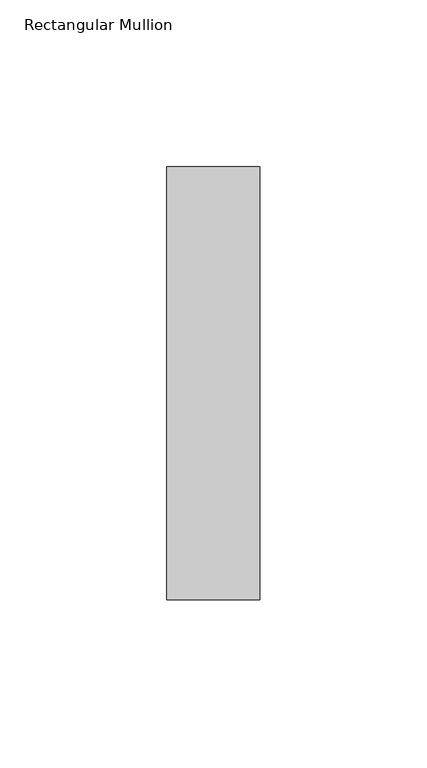
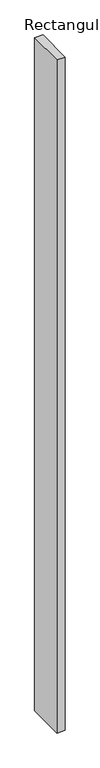
"""IFC4 building model written with IfcOpenShell, lengths in millimetres: member geometry, Rectangular Mullion."""

from ifc_helpers import new_model, si_unit, frame, origin, place, context, project, spatial, polyline, outline, extrude, source, transform, mapped, element, save


def rectangular_mullion_2218e5ab(model_context):
    return source(origin(), model_context, "Body", "SweptSolid", [
        extrude(outline(polyline([(-28.0, -65.0), (-28.0, 65.0), (0.0, 65.0), (0.0, -65.0), (-28.0, -65.0)])), frame((0.0, 0.0, -2400.0), z_axis=(0.0, 0.0, 1.0), x_axis=(1.0, 0.0, 0.0)), (0.0, 0.0, 1.0), 2400.0),
    ])


if __name__ == "__main__":
    model = new_model("IFC4")
    model_context = context("Model", 3, world=origin())
    ifc_project = project(units=[si_unit("LENGTHUNIT", "METRE", prefix="MILLI")], contexts=[model_context])
    site = spatial("IfcSite", under=ifc_project)
    building = spatial("IfcBuilding", under=site)
    placement = place(None, origin())
    rectangular_mullion_shape = rectangular_mullion_2218e5ab(model_context)
    element("IfcMember", 1, ObjectType="Rectangular Mullion", at=placement, inside=building, context=model_context, shape_type="MappedRepresentation", body=[
        mapped(rectangular_mullion_shape, transform((0.0, 0.0, 0.0), x_axis=(1.0, 0.0, 0.0), y_axis=(0.0, 1.0, 0.0), z_axis=(0.0, 0.0, 1.0))),
    ])
    save(model, "model.ifc")
